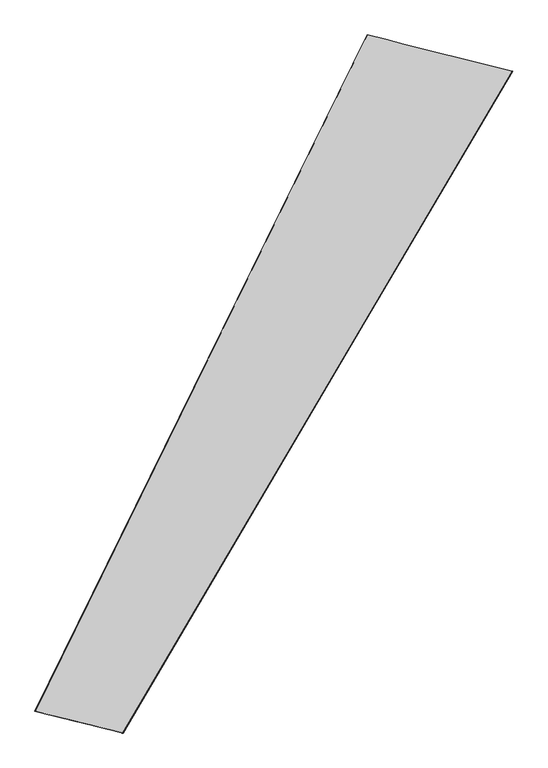
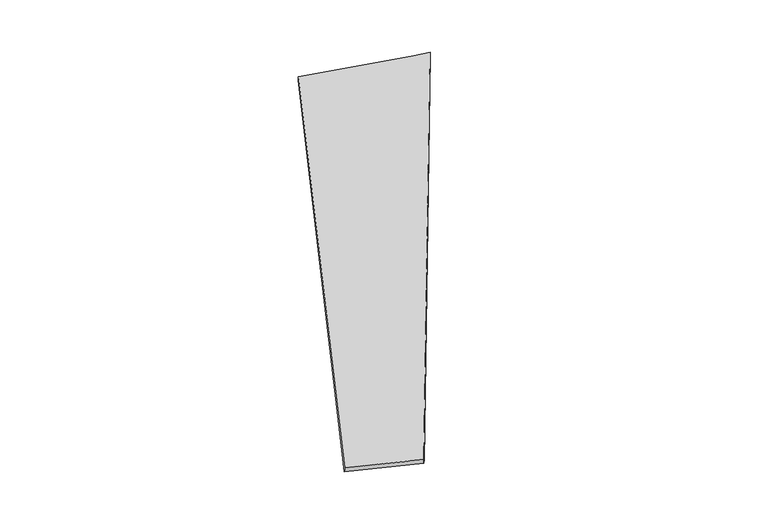
"""IFC4 building model written with IfcOpenShell, lengths in millimetres: proxy geometry."""

from ifc_helpers import new_model, si_unit, origin, place, context, project, spatial, source, transform, mapped, element, save
from ifc_brep_helpers import spline_surface, advanced_brep


def generic_models_afe9414d(model_context):
    return source(origin(), model_context, "Body", "AdvancedBrep", [
        advanced_brep(
        [(-666.0139023, -1687.2352191, -17.4961723), (-669.1157921, -1685.17798, -47.2643776), (1450.6898274, 1908.9181562, -19.3643197), (1449.5680879, 1909.3437191, 10.6116807), (-1145.4419789, -1569.0432223, -12.5072065), (661.608477, 2106.6135182, -40.6004555), (-1144.911029, -1569.0748923, 17.488078), (661.3568434, 2106.9663923, -10.6035863)],
        [
            (0, 1),
            (1, 2),
            (2, 3),
            (3, 0),
            (1, 4),
            (4, 5),
            (5, 2),
            (4, 6),
            (6, 7),
            (7, 5),
            (6, 0),
            (3, 7),
        ],
        [
            spline_surface(1, 1, [[(-666.0139023, -1687.2352191, -17.4961723), (1449.5680879, 1909.3437191, 10.6116807)], [(-669.1157921, -1685.17798, -47.2643776), (1450.6898274, 1908.9181562, -19.3643197)]], [2, 2], [2, 2], [0.0, 1.0], [0.0, 1.0]),
            spline_surface(1, 1, [[(-669.1157921, -1685.17798, -47.2643776), (1450.6898274, 1908.9181562, -19.3643197)], [(-1145.4419789, -1569.0432223, -12.5072065), (661.608477, 2106.6135182, -40.6004555)]], [2, 2], [2, 2], [0.0, 1.0], [0.0, 1.0]),
            spline_surface(1, 1, [[(-1145.4419789, -1569.0432223, -12.5072065), (661.608477, 2106.6135182, -40.6004555)], [(-1144.911029, -1569.0748923, 17.488078), (661.3568434, 2106.9663923, -10.6035863)]], [2, 2], [2, 2], [0.0, 1.0], [0.0, 1.0]),
            spline_surface(1, 1, [[(-1144.911029, -1569.0748923, 17.488078), (661.3568434, 2106.9663923, -10.6035863)], [(-666.0139023, -1687.2352191, -17.4961723), (1449.5680879, 1909.3437191, 10.6116807)]], [2, 2], [2, 2], [0.0, 1.0], [0.0, 1.0]),
            spline_surface(1, 1, [[(1450.6898274, 1908.9181562, -19.3643197), (1449.5680879, 1909.3437191, 10.6116807)], [(661.608477, 2106.6135182, -40.6004555), (661.3568434, 2106.9663923, -10.6035863)]], [2, 2], [2, 2], [0.0, 1.0], [0.0, 1.0]),
            spline_surface(1, 1, [[(-1144.911029, -1569.0748923, 17.488078), (-666.0139023, -1687.2352191, -17.4961723)], [(-1145.4419789, -1569.0432223, -12.5072065), (-669.1157921, -1685.17798, -47.2643776)]], [2, 2], [2, 2], [0.0, 1.0], [0.0, 1.0]),
        ],
        [
            (0, [[1, 2, 3, 4]]),
            (1, [[5, 6, 7, -2]]),
            (2, [[8, 9, 10, -6]]),
            (3, [[11, -4, 12, -9]]),
            (4, [[-3, -7, -10, -12]]),
            (5, [[-11, -8, -5, -1]]),
        ],
    ),
    ])


if __name__ == "__main__":
    model = new_model("IFC4")
    model_context = context("Model", 3, world=origin())
    ifc_project = project(units=[si_unit("LENGTHUNIT", "METRE", prefix="MILLI")], contexts=[model_context])
    site = spatial("IfcSite", under=ifc_project)
    building = spatial("IfcBuilding", under=site)
    placement = place(None, origin())
    generic_models_shape = generic_models_afe9414d(model_context)
    element("IfcBuildingElementProxy", 1, Name="Generic Models", at=placement, inside=building, context=model_context, shape_type="MappedRepresentation", body=[
        mapped(generic_models_shape, transform((0.0, 0.0, 0.0), x_axis=(1.0, 0.0, 0.0), y_axis=(0.0, 1.0, 0.0), z_axis=(0.0, 0.0, 1.0))),
    ])
    save(model, "model.ifc")
